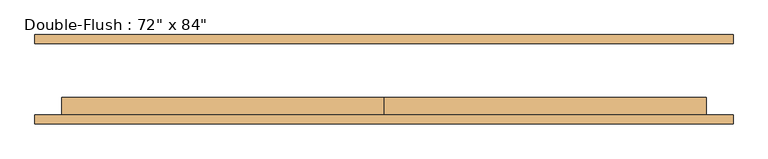
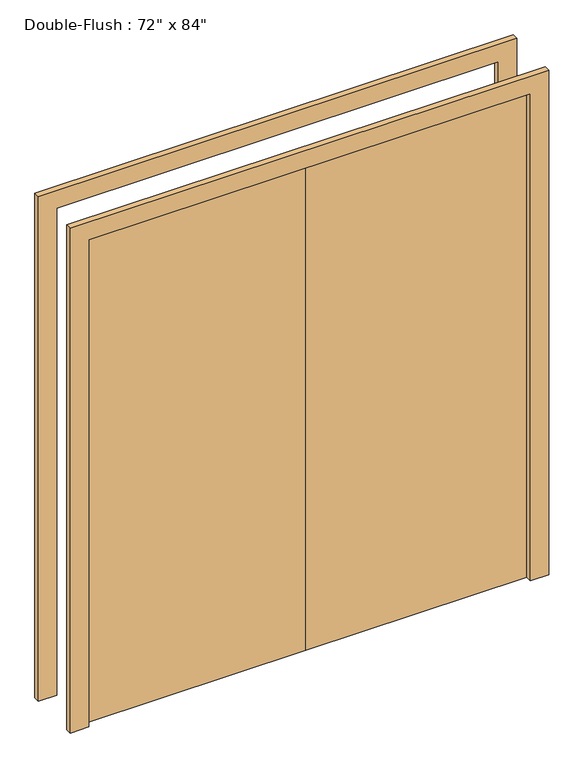
"""IFC4 building model written with IfcOpenShell, lengths in millimetres: door geometry."""

from ifc_helpers import new_model, si_unit, frame, origin, origin_with_axes, place, context, project, spatial, polyline, outline, extrude, source, transform, mapped, element, save


def door_93579ae6(model_context):
    return source(origin(), model_context, "Body", "SweptSolid", [
        extrude(outline(polyline([(0.0, -101.6), (0.0, -50.8), (914.4, -50.8), (914.4, -101.6), (0.0, -101.6)])), origin_with_axes(), (0.0, 0.0, 1.0), 2133.6),
        extrude(outline(polyline([(-914.4, -101.6), (-914.4, -50.8), (0.0, -50.8), (0.0, -101.6), (-914.4, -101.6)])), origin_with_axes(), (0.0, 0.0, 1.0), 2133.6),
        extrude(outline(polyline([(2133.6, -914.4), (2133.6, 914.4), (0.0, 914.4), (0.0, 990.6), (2209.8, 990.6), (2209.8, -990.6), (0.0, -990.6), (0.0, -914.4), (2133.6, -914.4)])), frame((0.0, 101.6, 0.0), z_axis=(0.0, 1.0, 0.0), x_axis=(0.0, 0.0, 1.0)), (0.0, 0.0, 1.0), 25.4),
        extrude(outline(polyline([(2133.6, -914.4), (2133.6, 914.4), (0.0, 914.4), (0.0, 990.6), (2209.8, 990.6), (2209.8, -990.6), (0.0, -990.6), (0.0, -914.4), (2133.6, -914.4)])), frame((0.0, -127.0, 0.0), z_axis=(0.0, 1.0, 0.0), x_axis=(0.0, 0.0, 1.0)), (0.0, 0.0, 1.0), 25.4),
    ])


if __name__ == "__main__":
    model = new_model("IFC4")
    model_context = context("Model", 3, world=origin())
    ifc_project = project(units=[si_unit("LENGTHUNIT", "METRE", prefix="MILLI")], contexts=[model_context])
    site = spatial("IfcSite", under=ifc_project)
    building = spatial("IfcBuilding", under=site)
    placement = place(None, origin())
    door_shape = door_93579ae6(model_context)
    element("IfcDoor", 1, ObjectType="Double-Flush : 72\" x 84\"", at=placement, inside=building, context=model_context, shape_type="MappedRepresentation", body=[
        mapped(door_shape, transform((0.0, 0.0, 0.0), x_axis=(1.0, 0.0, 0.0), y_axis=(0.0, 1.0, 0.0), z_axis=(0.0, 0.0, 1.0))),
    ])
    save(model, "model.ifc")
